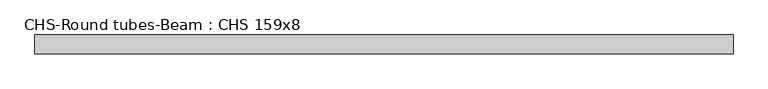
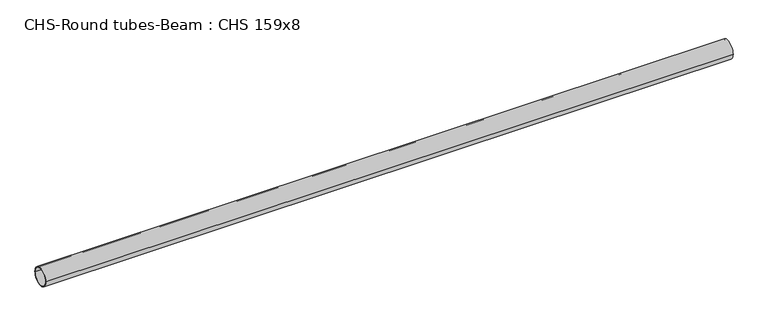
"""IFC4 building model written with IfcOpenShell, lengths in millimetres: beam geometry, CHS-Round tubes-Beam : CHS 159x8."""

from ifc_helpers import new_model, si_unit, point, frame, origin, origin_2d, place, context, project, spatial, circle_curve, trimmed, segment, composite_curve, outline, extrude, source, transform, mapped, element, save


def chs_round_tubes_beam_chs_159x8_2aceb660(model_context):
    return source(origin(), model_context, "Body", "SweptSolid", [
        extrude(outline(composite_curve([segment(trimmed(circle_curve(origin_2d(), 79.5), [point((79.5, 0.0))], [point((-79.5, 0.0))], False, "CARTESIAN"), True, "CONTINUOUS"), segment(trimmed(circle_curve(origin_2d(), 79.5), [point((-79.5, 0.0))], [point((79.5, 0.0))], False, "CARTESIAN"), True, "CONTINUOUS")], self_intersect=False), holes=[composite_curve([segment(trimmed(circle_curve(origin_2d(), 71.5), [point((71.5, 0.0))], [point((-71.5, 0.0))], True, "CARTESIAN"), True, "CONTINUOUS"), segment(trimmed(circle_curve(origin_2d(), 71.5), [point((-71.5, 0.0))], [point((71.5, 0.0))], True, "CARTESIAN"), True, "CONTINUOUS")], self_intersect=False)]), frame((-2945.9071661, 0.0, 0.0), z_axis=(1.0, 0.0, 0.0), x_axis=(0.0, 1.0, 0.0)), (0.0, 0.0, 1.0), 5877.5882557),
    ])


if __name__ == "__main__":
    model = new_model("IFC4")
    model_context = context("Model", 3, world=origin())
    ifc_project = project(units=[si_unit("LENGTHUNIT", "METRE", prefix="MILLI")], contexts=[model_context])
    site = spatial("IfcSite", under=ifc_project)
    building = spatial("IfcBuilding", under=site)
    placement = place(None, origin())
    chs_round_tubes_beam_chs_159x8_shape = chs_round_tubes_beam_chs_159x8_2aceb660(model_context)
    element("IfcBeam", 1, ObjectType="CHS-Round tubes-Beam : CHS 159x8", at=placement, inside=building, context=model_context, shape_type="MappedRepresentation", body=[
        mapped(chs_round_tubes_beam_chs_159x8_shape, transform((0.0, 0.0, 0.0), x_axis=(1.0, 0.0, 0.0), y_axis=(0.0, 1.0, 0.0), z_axis=(0.0, 0.0, 1.0))),
    ])
    save(model, "model.ifc")
